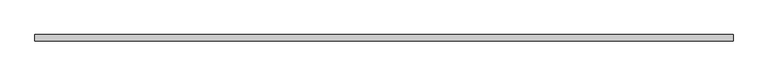
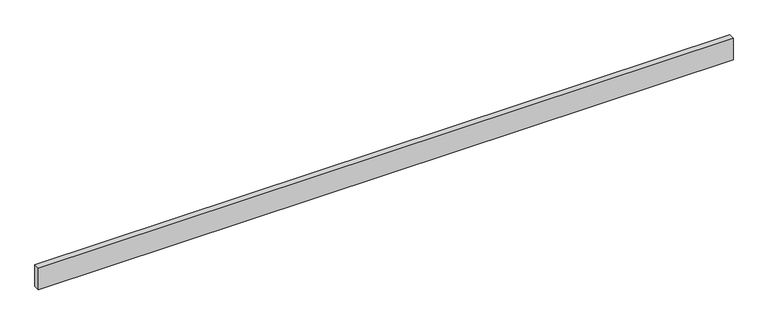
"""IFC4 building model written with IfcOpenShell, lengths in millimetres: beam geometry."""

from ifc_helpers import new_model, si_unit, frame, origin, place, context, project, spatial, polyline, outline, extrude, source, transform, mapped, element, save


def beam_027d144e(model_context):
    return source(origin(), model_context, "Body", "SweptSolid", [
        extrude(outline(polyline([(2133.6, -19.05), (-2133.6, -19.05), (-2133.6, 19.05), (2133.6, 19.05), (2133.6, -19.05)])), frame((0.0, 0.0, -69.85), z_axis=(0.0, 0.0, 1.0), x_axis=(1.0, 0.0, 0.0)), (0.0, 0.0, 1.0), 139.7),
    ])


if __name__ == "__main__":
    model = new_model("IFC4")
    model_context = context("Model", 3, world=origin())
    ifc_project = project(units=[si_unit("LENGTHUNIT", "METRE", prefix="MILLI")], contexts=[model_context])
    site = spatial("IfcSite", under=ifc_project)
    building = spatial("IfcBuilding", under=site)
    placement = place(None, origin())
    beam_shape = beam_027d144e(model_context)
    element("IfcBeam", 1, at=placement, inside=building, context=model_context, shape_type="MappedRepresentation", body=[
        mapped(beam_shape, transform((0.0, 0.0, 0.0), x_axis=(1.0, 0.0, 0.0), y_axis=(0.0, 1.0, 0.0), z_axis=(0.0, 0.0, 1.0))),
    ])
    save(model, "model.ifc")
